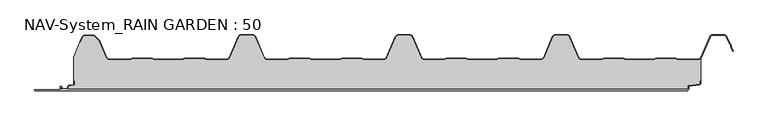
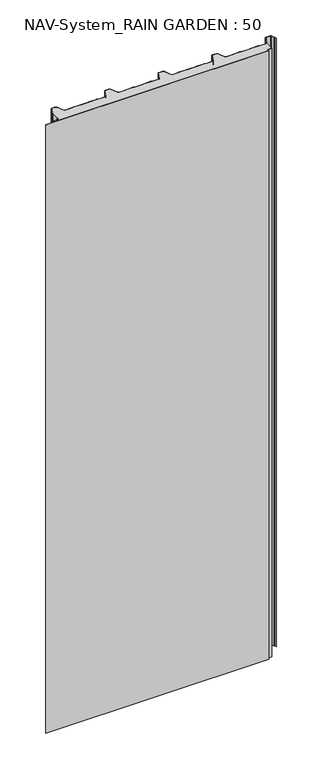
"""IFC4 building model written with IfcOpenShell, lengths in millimetres: plate geometry, NAV-System_RAIN GARDEN : 50."""

from ifc_helpers import new_model, si_unit, point, frame, frame_2d, origin, origin_with_axes, place, context, project, spatial, polyline, circle_curve, trimmed, segment, composite_curve, outline, extrude, source, transform, mapped, element, save


def nav_system_rain_garden_50_0f52b5ec(model_context):
    return source(origin(), model_context, "Body", "SweptSolid", [
        extrude(outline(composite_curve([segment(polyline([(14.6767555, 519.0), (14.6767555, 518.2), (10.3721283, 518.2), (7.8818536, 500.4911207)]), True, "CONTINUOUS"), segment(trimmed(circle_curve(frame_2d((6.3964683, 500.7)), 1.5), [point((7.8818536, 500.4911207))], [point((6.3964683, 499.2))], False, "CARTESIAN"), True, "CONTINUOUS"), segment(polyline([(6.3964683, 499.2), (1.8, 499.2), (1.8, -498.7)]), True, "CONTINUOUS"), segment(trimmed(circle_curve(frame_2d((2.3, -498.7)), 0.5), [point((1.8, -498.7))], [point((2.3, -499.2))], True, "CARTESIAN"), True, "CONTINUOUS"), segment(polyline([(2.3, -499.2), (5.3700191, -499.2)]), True, "CONTINUOUS"), segment(trimmed(circle_curve(frame_2d((5.3700191, -498.7)), 0.5), [point((5.3700191, -499.2))], [point((5.6200191, -498.2669873))], True, "CARTESIAN"), True, "CONTINUOUS"), segment(polyline([(5.6200191, -498.2669873), (2.2, -496.2924383), (2.2, -488.9841833), (7.6866602, -485.8164586), (8.898332, -477.2), (14.6767555, -477.2), (14.6767555, -478.0), (9.5937048, -478.0), (8.5128213, -485.6863953)]), True, "CONTINUOUS"), segment(trimmed(circle_curve(frame_2d((7.2254873, -485.5053666)), 1.3), [point((8.5128213, -485.6863953))], [point((7.8754873, -486.6311996))], False, "CARTESIAN"), True, "CONTINUOUS"), segment(polyline([(7.8754873, -486.6311996), (3.0, -489.4460636), (3.0, -495.8305581), (6.0200191, -497.574167)]), True, "CONTINUOUS"), segment(trimmed(circle_curve(frame_2d((5.3700191, -498.7)), 1.3), [point((6.0200191, -497.574167))], [point((5.3700191, -500.0))], False, "CARTESIAN"), True, "CONTINUOUS"), segment(polyline([(5.3700191, -500.0), (2.3, -500.0)]), True, "CONTINUOUS"), segment(trimmed(circle_curve(frame_2d((2.3, -498.7)), 1.3), [point((2.3, -500.0))], [point((1.0, -498.7))], False, "CARTESIAN"), True, "CONTINUOUS"), segment(polyline([(1.0, -498.7), (1.0, -540.0), (0.0, -540.0), (0.0, 498.7), (1.0, 498.7)]), True, "CONTINUOUS"), segment(trimmed(circle_curve(frame_2d((2.3, 498.7)), 1.3), [point((1.0, 498.7))], [point((2.3, 500.0))], False, "CARTESIAN"), True, "CONTINUOUS"), segment(polyline([(2.3, 500.0), (6.3964683, 500.0)]), True, "CONTINUOUS"), segment(trimmed(circle_curve(frame_2d((6.3964683, 500.7)), 0.7), [point((6.3964683, 500.0))], [point((7.0896481, 500.602523))], True, "CARTESIAN"), True, "CONTINUOUS"), segment(polyline([(7.0896481, 500.602523), (9.5194024, 517.8810287)]), True, "CONTINUOUS"), segment(trimmed(circle_curve(frame_2d((10.8067363, 517.7)), 1.3), [point((9.5194024, 517.8810287))], [point((10.8067363, 519.0))], False, "CARTESIAN"), True, "CONTINUOUS"), segment(polyline([(10.8067363, 519.0), (14.6767555, 519.0)]), True, "CONTINUOUS")], self_intersect=False)), frame((0.0, 0.0, 3000.0), z_axis=(0.0, 0.0, -1.0), x_axis=(0.0, 1.0, 0.0)), (0.0, 0.0, 1.0), 3000.0),
        extrude(outline(composite_curve([segment(polyline([(519.0, 50.6220493), (519.0, 14.6767555), (518.2, 14.6767555), (518.2, 10.3721283), (500.4911207, 7.8818536)]), True, "CONTINUOUS"), segment(trimmed(circle_curve(frame_2d((500.7, 6.3964683)), 1.5), [point((500.4911207, 7.8818536))], [point((499.2, 6.3964683))], True, "CARTESIAN"), True, "CONTINUOUS"), segment(polyline([(499.2, 6.3964683), (499.2, 1.8), (-498.7, 1.8)]), True, "CONTINUOUS"), segment(trimmed(circle_curve(frame_2d((-498.7, 2.3)), 0.5), [point((-498.7, 1.8))], [point((-499.2, 2.3))], False, "CARTESIAN"), True, "CONTINUOUS"), segment(polyline([(-499.2, 2.3), (-499.2, 5.3700191)]), True, "CONTINUOUS"), segment(trimmed(circle_curve(frame_2d((-498.7, 5.3700191)), 0.5), [point((-499.2, 5.3700191))], [point((-498.2669873, 5.6200191))], False, "CARTESIAN"), True, "CONTINUOUS"), segment(polyline([(-498.2669873, 5.6200191), (-496.2924383, 2.2), (-488.9841833, 2.2), (-485.8164586, 7.6866602), (-477.2, 8.898332), (-477.2, 14.6767555), (-478.0, 14.6767555), (-478.0, 53.053822), (-468.3696578, 76.593514), (-467.6292254, 76.2905951), (-464.1022482, 84.9116756)]), True, "CONTINUOUS"), segment(trimmed(circle_curve(frame_2d((-461.1405186, 83.7)), 3.2), [point((-464.1022482, 84.9116756))], [point((-461.1405186, 86.9))], False, "CARTESIAN"), True, "CONTINUOUS"), segment(polyline([(-461.1405186, 86.9), (-447.7344665, 86.9)]), True, "CONTINUOUS"), segment(trimmed(circle_curve(frame_2d((-447.7344665, 82.7)), 4.2), [point((-447.7344665, 86.9))], [point((-444.764618, 85.6698485))], False, "CARTESIAN"), True, "CONTINUOUS"), segment(polyline([(-444.764618, 85.6698485), (-438.3136397, 79.2188701)]), True, "CONTINUOUS"), segment(trimmed(circle_curve(frame_2d((-441.2834882, 76.2490217)), 4.2), [point((-438.3136397, 79.2188701))], [point((-437.4245651, 77.9069459))], False, "CARTESIAN"), True, "CONTINUOUS"), segment(polyline([(-437.4245651, 77.9069459), (-426.3392729, 52.1052295)]), True, "CONTINUOUS"), segment(trimmed(circle_curve(frame_2d((-421.9290751, 54.0)), 4.8), [point((-426.3392729, 52.1052295))], [point((-421.9290751, 49.2))], True, "CARTESIAN"), True, "CONTINUOUS"), segment(polyline([(-421.9290751, 49.2), (-389.1564631, 49.2), (-385.1925378, 50.7), (-353.6825105, 50.7), (-349.6410865, 49.2), (-305.8231298, 49.2), (-301.9276212, 50.6741102), (-270.3491772, 50.7), (-266.3077532, 49.2), (-234.4101978, 49.2)]), True, "CONTINUOUS"), segment(trimmed(circle_curve(frame_2d((-234.4101978, 54.0)), 4.8), [point((-234.4101978, 49.2))], [point((-230.0, 52.1052295))], True, "CARTESIAN"), True, "CONTINUOUS"), segment(polyline([(-230.0, 52.1052295), (-215.7994417, 85.1579242)]), True, "CONTINUOUS"), segment(trimmed(circle_curve(frame_2d((-211.9405186, 83.5)), 4.2), [point((-215.7994417, 85.1579242))], [point((-211.9405186, 87.7))], False, "CARTESIAN"), True, "CONTINUOUS"), segment(polyline([(-211.9405186, 87.7), (-193.5280451, 87.7)]), True, "CONTINUOUS"), segment(trimmed(circle_curve(frame_2d((-193.5280451, 83.5)), 4.2), [point((-193.5280451, 87.7))], [point((-189.669122, 85.1579242))], False, "CARTESIAN"), True, "CONTINUOUS"), segment(polyline([(-189.669122, 85.1579242), (-175.4685637, 52.1052295)]), True, "CONTINUOUS"), segment(trimmed(circle_curve(frame_2d((-171.0583659, 54.0)), 4.8), [point((-175.4685637, 52.1052295))], [point((-171.0583659, 49.2))], True, "CARTESIAN"), True, "CONTINUOUS"), segment(polyline([(-171.0583659, 49.2), (-139.1564631, 49.2), (-135.1925378, 50.7), (-103.6825105, 50.7), (-99.6410865, 49.2), (-55.8231298, 49.2), (-51.9276212, 50.6741102), (-20.3491772, 50.7), (-16.3077532, 49.2), (15.5898022, 49.2)]), True, "CONTINUOUS"), segment(trimmed(circle_curve(frame_2d((15.5898022, 54.0)), 4.8), [point((15.5898022, 49.2))], [point((20.0, 52.1052295))], True, "CARTESIAN"), True, "CONTINUOUS"), segment(polyline([(20.0, 52.1052295), (34.2005583, 85.1579242)]), True, "CONTINUOUS"), segment(trimmed(circle_curve(frame_2d((38.0594814, 83.5)), 4.2), [point((34.2005583, 85.1579242))], [point((38.0594814, 87.7))], False, "CARTESIAN"), True, "CONTINUOUS"), segment(polyline([(38.0594814, 87.7), (56.4719549, 87.7)]), True, "CONTINUOUS"), segment(trimmed(circle_curve(frame_2d((56.4719549, 83.5)), 4.2), [point((56.4719549, 87.7))], [point((60.330878, 85.1579242))], False, "CARTESIAN"), True, "CONTINUOUS"), segment(polyline([(60.330878, 85.1579242), (74.5314363, 52.1052295)]), True, "CONTINUOUS"), segment(trimmed(circle_curve(frame_2d((78.9416341, 54.0)), 4.8), [point((74.5314363, 52.1052295))], [point((78.9416341, 49.2))], True, "CARTESIAN"), True, "CONTINUOUS"), segment(polyline([(78.9416341, 49.2), (110.8435369, 49.2), (114.8074622, 50.7), (146.3174895, 50.7), (150.3589135, 49.2), (194.1768702, 49.2), (198.0723788, 50.6741102), (229.6508228, 50.7), (233.6922468, 49.2), (265.5898022, 49.2)]), True, "CONTINUOUS"), segment(trimmed(circle_curve(frame_2d((265.5898022, 54.0)), 4.8), [point((265.5898022, 49.2))], [point((270.0, 52.1052295))], True, "CARTESIAN"), True, "CONTINUOUS"), segment(polyline([(270.0, 52.1052295), (284.2005583, 85.1579242)]), True, "CONTINUOUS"), segment(trimmed(circle_curve(frame_2d((288.0594814, 83.5)), 4.2), [point((284.2005583, 85.1579242))], [point((288.0594814, 87.7))], False, "CARTESIAN"), True, "CONTINUOUS"), segment(polyline([(288.0594814, 87.7), (306.4719549, 87.7)]), True, "CONTINUOUS"), segment(trimmed(circle_curve(frame_2d((306.4719549, 83.5)), 4.2), [point((306.4719549, 87.7))], [point((310.330878, 85.1579242))], False, "CARTESIAN"), True, "CONTINUOUS"), segment(polyline([(310.330878, 85.1579242), (324.5314363, 52.1052295)]), True, "CONTINUOUS"), segment(trimmed(circle_curve(frame_2d((328.9416341, 54.0)), 4.8), [point((324.5314363, 52.1052295))], [point((328.9416341, 49.2))], True, "CARTESIAN"), True, "CONTINUOUS"), segment(polyline([(328.9416341, 49.2), (360.8435369, 49.2), (364.7390455, 50.6741102), (396.3174895, 50.7), (400.3589135, 49.2), (444.1768702, 49.2), (448.0723788, 50.6741102), (479.6508228, 50.7), (483.6922468, 49.2), (515.5898022, 49.2)]), True, "CONTINUOUS"), segment(trimmed(circle_curve(frame_2d((515.5898022, 54.0)), 4.8), [point((515.5898022, 49.2))], [point((519.0, 50.6220493))], True, "CARTESIAN"), True, "CONTINUOUS")], self_intersect=False)), origin_with_axes(), (0.0, 0.0, 1.0), 3000.0),
        extrude(outline(composite_curve([segment(trimmed(circle_curve(frame_2d((-461.1408608, 83.7)), 4.0), [point((-464.8430228, 85.2145945))], [point((-461.1408608, 87.7))], False, "CARTESIAN"), True, "CONTINUOUS"), segment(polyline([(-461.1408608, 87.7), (-447.7348087, 87.7)]), True, "CONTINUOUS"), segment(trimmed(circle_curve(frame_2d((-447.7348087, 82.7)), 5.0), [point((-447.7348087, 87.7))], [point((-444.1992748, 86.2355339))], False, "CARTESIAN"), True, "CONTINUOUS"), segment(polyline([(-444.1992748, 86.2355339), (-437.7482965, 79.7845556)]), True, "CONTINUOUS"), segment(trimmed(circle_curve(frame_2d((-441.2838304, 76.2490217)), 5.0), [point((-437.7482965, 79.7845556))], [point((-436.6898744, 78.2227409))], False, "CARTESIAN"), True, "CONTINUOUS"), segment(polyline([(-436.6898744, 78.2227409), (-425.6045822, 52.4210246)]), True, "CONTINUOUS"), segment(trimmed(circle_curve(frame_2d((-421.9294173, 54.0)), 4.0), [point((-425.6045822, 52.4210246))], [point((-421.9294173, 50.0))], True, "CARTESIAN"), True, "CONTINUOUS"), segment(polyline([(-421.9294173, 50.0), (-389.3031082, 50.0), (-385.3391828, 51.5), (-353.4633986, 51.5), (-349.4994732, 50.0), (-305.9697749, 50.0), (-302.0058495, 51.5), (-270.1300653, 51.5), (-266.1661399, 50.0), (-234.41054, 50.0)]), True, "CONTINUOUS"), segment(trimmed(circle_curve(frame_2d((-234.41054, 54.0)), 4.0), [point((-234.41054, 50.0))], [point((-230.7353752, 52.4210246))], True, "CARTESIAN"), True, "CONTINUOUS"), segment(polyline([(-230.7353752, 52.4210246), (-216.5348169, 85.4737193)]), True, "CONTINUOUS"), segment(trimmed(circle_curve(frame_2d((-211.9408608, 83.5)), 5.0), [point((-216.5348169, 85.4737193))], [point((-211.9408608, 88.5))], False, "CARTESIAN"), True, "CONTINUOUS"), segment(polyline([(-211.9408608, 88.5), (-193.5283873, 88.5)]), True, "CONTINUOUS"), segment(trimmed(circle_curve(frame_2d((-193.5283873, 83.5)), 5.0), [point((-193.5283873, 88.5))], [point((-188.9344313, 85.4737193))], False, "CARTESIAN"), True, "CONTINUOUS"), segment(polyline([(-188.9344313, 85.4737193), (-174.7338729, 52.4210246)]), True, "CONTINUOUS"), segment(trimmed(circle_curve(frame_2d((-171.0587081, 54.0)), 4.0), [point((-174.7338729, 52.4210246))], [point((-171.0587081, 50.0))], True, "CARTESIAN"), True, "CONTINUOUS"), segment(polyline([(-171.0587081, 50.0), (-139.3031082, 50.0), (-135.3391828, 51.5), (-103.4633986, 51.5), (-99.4994732, 50.0), (-55.9697749, 50.0), (-52.0058495, 51.5), (-20.1300653, 51.5), (-16.1661399, 50.0), (15.58946, 50.0)]), True, "CONTINUOUS"), segment(trimmed(circle_curve(frame_2d((15.58946, 54.0)), 4.0), [point((15.58946, 50.0))], [point((19.2646248, 52.4210246))], True, "CARTESIAN"), True, "CONTINUOUS"), segment(polyline([(19.2646248, 52.4210246), (33.4651831, 85.4737193)]), True, "CONTINUOUS"), segment(trimmed(circle_curve(frame_2d((38.0591392, 83.5)), 5.0), [point((33.4651831, 85.4737193))], [point((38.0591392, 88.5))], False, "CARTESIAN"), True, "CONTINUOUS"), segment(polyline([(38.0591392, 88.5), (56.4716127, 88.5)]), True, "CONTINUOUS"), segment(trimmed(circle_curve(frame_2d((56.4716127, 83.5)), 5.0), [point((56.4716127, 88.5))], [point((61.0655687, 85.4737193))], False, "CARTESIAN"), True, "CONTINUOUS"), segment(polyline([(61.0655687, 85.4737193), (75.2661271, 52.4210246)]), True, "CONTINUOUS"), segment(trimmed(circle_curve(frame_2d((78.9412919, 54.0)), 4.0), [point((75.2661271, 52.4210246))], [point((78.9412919, 50.0))], True, "CARTESIAN"), True, "CONTINUOUS"), segment(polyline([(78.9412919, 50.0), (110.6968918, 50.0), (114.6608172, 51.5), (146.5366014, 51.5), (150.5005268, 50.0), (194.0302251, 50.0), (197.9941505, 51.5), (229.8699347, 51.5), (233.8338601, 50.0), (265.58946, 50.0)]), True, "CONTINUOUS"), segment(trimmed(circle_curve(frame_2d((265.58946, 54.0)), 4.0), [point((265.58946, 50.0))], [point((269.2646248, 52.4210246))], True, "CARTESIAN"), True, "CONTINUOUS"), segment(polyline([(269.2646248, 52.4210246), (283.4651831, 85.4737193)]), True, "CONTINUOUS"), segment(trimmed(circle_curve(frame_2d((288.0591392, 83.5)), 5.0), [point((283.4651831, 85.4737193))], [point((288.0591392, 88.5))], False, "CARTESIAN"), True, "CONTINUOUS"), segment(polyline([(288.0591392, 88.5), (306.4716127, 88.5)]), True, "CONTINUOUS"), segment(trimmed(circle_curve(frame_2d((306.4716127, 83.5)), 5.0), [point((306.4716127, 88.5))], [point((311.0655687, 85.4737193))], False, "CARTESIAN"), True, "CONTINUOUS"), segment(polyline([(311.0655687, 85.4737193), (325.2661271, 52.4210246)]), True, "CONTINUOUS"), segment(trimmed(circle_curve(frame_2d((328.9412919, 54.0)), 4.0), [point((325.2661271, 52.4210246))], [point((328.9412919, 50.0))], True, "CARTESIAN"), True, "CONTINUOUS"), segment(polyline([(328.9412919, 50.0), (360.6968918, 50.0), (364.6608172, 51.5), (396.5366014, 51.5), (400.5005268, 50.0), (444.0302251, 50.0), (447.9941505, 51.5), (479.8699347, 51.5), (483.8338601, 50.0), (515.58946, 50.0)]), True, "CONTINUOUS"), segment(trimmed(circle_curve(frame_2d((515.58946, 54.0)), 4.0), [point((515.58946, 50.0))], [point((519.2646248, 52.4210246))], True, "CARTESIAN"), True, "CONTINUOUS"), segment(polyline([(519.2646248, 52.4210246), (533.4651831, 85.4737193)]), True, "CONTINUOUS"), segment(trimmed(circle_curve(frame_2d((538.0591392, 83.5)), 5.0), [point((533.4651831, 85.4737193))], [point((538.0591392, 88.5))], False, "CARTESIAN"), True, "CONTINUOUS"), segment(polyline([(538.0591392, 88.5), (556.4716127, 88.5)]), True, "CONTINUOUS"), segment(trimmed(circle_curve(frame_2d((556.4716127, 83.5)), 5.0), [point((556.4716127, 88.5))], [point((561.0655687, 85.4737193))], False, "CARTESIAN"), True, "CONTINUOUS"), segment(polyline([(561.0655687, 85.4737193), (565.9006789, 74.2196957), (567.9230626, 72.4138642), (567.8408612, 69.703799), (570.8182039, 62.7738461), (570.0831709, 62.458051), (567.0358547, 69.5508717), (567.1121268, 72.0654564), (565.2356202, 73.741031), (560.3305358, 85.1579242)]), True, "CONTINUOUS"), segment(trimmed(circle_curve(frame_2d((556.4716127, 83.5)), 4.2), [point((560.3305358, 85.1579242))], [point((556.4716127, 87.7))], True, "CARTESIAN"), True, "CONTINUOUS"), segment(polyline([(556.4716127, 87.7), (538.0591392, 87.7)]), True, "CONTINUOUS"), segment(trimmed(circle_curve(frame_2d((538.0591392, 83.5)), 4.2), [point((538.0591392, 87.7))], [point((534.2002161, 85.1579242))], True, "CARTESIAN"), True, "CONTINUOUS"), segment(polyline([(534.2002161, 85.1579242), (519.9996578, 52.1052295)]), True, "CONTINUOUS"), segment(trimmed(circle_curve(frame_2d((515.58946, 54.0)), 4.8), [point((519.9996578, 52.1052295))], [point((515.58946, 49.2))], False, "CARTESIAN"), True, "CONTINUOUS"), segment(polyline([(515.58946, 49.2), (483.6919046, 49.2), (479.6504806, 50.7), (448.0720366, 50.6741102), (444.1765279, 49.2), (400.3585713, 49.2), (396.3171473, 50.7), (364.7387033, 50.6741102), (360.8431946, 49.2), (328.9412919, 49.2)]), True, "CONTINUOUS"), segment(trimmed(circle_curve(frame_2d((328.9412919, 54.0)), 4.8), [point((328.9412919, 49.2))], [point((324.5310941, 52.1052295))], False, "CARTESIAN"), True, "CONTINUOUS"), segment(polyline([(324.5310941, 52.1052295), (310.3305358, 85.1579242)]), True, "CONTINUOUS"), segment(trimmed(circle_curve(frame_2d((306.4716127, 83.5)), 4.2), [point((310.3305358, 85.1579242))], [point((306.4716127, 87.7))], True, "CARTESIAN"), True, "CONTINUOUS"), segment(polyline([(306.4716127, 87.7), (288.0591392, 87.7)]), True, "CONTINUOUS"), segment(trimmed(circle_curve(frame_2d((288.0591392, 83.5)), 4.2), [point((288.0591392, 87.7))], [point((284.2002161, 85.1579242))], True, "CARTESIAN"), True, "CONTINUOUS"), segment(polyline([(284.2002161, 85.1579242), (269.9996578, 52.1052295)]), True, "CONTINUOUS"), segment(trimmed(circle_curve(frame_2d((265.58946, 54.0)), 4.8), [point((269.9996578, 52.1052295))], [point((265.58946, 49.2))], False, "CARTESIAN"), True, "CONTINUOUS"), segment(polyline([(265.58946, 49.2), (233.6919046, 49.2), (229.6504806, 50.7), (198.0720366, 50.6741102), (194.1765279, 49.2), (150.3585713, 49.2), (146.3171473, 50.7), (114.7387033, 50.6741102), (110.8431946, 49.2), (78.9412919, 49.2)]), True, "CONTINUOUS"), segment(trimmed(circle_curve(frame_2d((78.9412919, 54.0)), 4.8), [point((78.9412919, 49.2))], [point((74.5310941, 52.1052295))], False, "CARTESIAN"), True, "CONTINUOUS"), segment(polyline([(74.5310941, 52.1052295), (60.3305358, 85.1579242)]), True, "CONTINUOUS"), segment(trimmed(circle_curve(frame_2d((56.4716127, 83.5)), 4.2), [point((60.3305358, 85.1579242))], [point((56.4716127, 87.7))], True, "CARTESIAN"), True, "CONTINUOUS"), segment(polyline([(56.4716127, 87.7), (38.0591392, 87.7)]), True, "CONTINUOUS"), segment(trimmed(circle_curve(frame_2d((38.0591392, 83.5)), 4.2), [point((38.0591392, 87.7))], [point((34.2002161, 85.1579242))], True, "CARTESIAN"), True, "CONTINUOUS"), segment(polyline([(34.2002161, 85.1579242), (19.9996578, 52.1052295)]), True, "CONTINUOUS"), segment(trimmed(circle_curve(frame_2d((15.58946, 54.0)), 4.8), [point((19.9996578, 52.1052295))], [point((15.58946, 49.2))], False, "CARTESIAN"), True, "CONTINUOUS"), segment(polyline([(15.58946, 49.2), (-16.3080954, 49.2), (-20.3495194, 50.7), (-51.9279634, 50.6741102), (-55.8234721, 49.2), (-99.6414287, 49.2), (-103.6828527, 50.7), (-135.2612967, 50.6741102), (-139.1568054, 49.2), (-171.0587081, 49.2)]), True, "CONTINUOUS"), segment(trimmed(circle_curve(frame_2d((-171.0587081, 54.0)), 4.8), [point((-171.0587081, 49.2))], [point((-175.4689059, 52.1052295))], False, "CARTESIAN"), True, "CONTINUOUS"), segment(polyline([(-175.4689059, 52.1052295), (-189.6694642, 85.1579242)]), True, "CONTINUOUS"), segment(trimmed(circle_curve(frame_2d((-193.5283873, 83.5)), 4.2), [point((-189.6694642, 85.1579242))], [point((-193.5283873, 87.7))], True, "CARTESIAN"), True, "CONTINUOUS"), segment(polyline([(-193.5283873, 87.7), (-211.9408608, 87.7)]), True, "CONTINUOUS"), segment(trimmed(circle_curve(frame_2d((-211.9408608, 83.5)), 4.2), [point((-211.9408608, 87.7))], [point((-215.7997839, 85.1579242))], True, "CARTESIAN"), True, "CONTINUOUS"), segment(polyline([(-215.7997839, 85.1579242), (-230.0003422, 52.1052295)]), True, "CONTINUOUS"), segment(trimmed(circle_curve(frame_2d((-234.41054, 54.0)), 4.8), [point((-230.0003422, 52.1052295))], [point((-234.41054, 49.2))], False, "CARTESIAN"), True, "CONTINUOUS"), segment(polyline([(-234.41054, 49.2), (-266.3080954, 49.2), (-270.3495194, 50.7), (-301.9279634, 50.6741102), (-305.8234721, 49.2), (-349.6414287, 49.2), (-353.6828527, 50.7), (-385.19288, 50.7), (-389.1568054, 49.2), (-421.9294173, 49.2)]), True, "CONTINUOUS"), segment(trimmed(circle_curve(frame_2d((-421.9294173, 54.0)), 4.8), [point((-421.9294173, 49.2))], [point((-426.3396151, 52.1052295))], False, "CARTESIAN"), True, "CONTINUOUS"), segment(polyline([(-426.3396151, 52.1052295), (-437.4249073, 77.9069459)]), True, "CONTINUOUS"), segment(trimmed(circle_curve(frame_2d((-441.2838304, 76.2490217)), 4.2), [point((-437.4249073, 77.9069459))], [point((-438.3139819, 79.2188701))], True, "CARTESIAN"), True, "CONTINUOUS"), segment(polyline([(-438.3139819, 79.2188701), (-444.7649603, 85.6698485)]), True, "CONTINUOUS"), segment(trimmed(circle_curve(frame_2d((-447.7348087, 82.7)), 4.2), [point((-444.7649603, 85.6698485))], [point((-447.7348087, 86.9))], True, "CARTESIAN"), True, "CONTINUOUS"), segment(polyline([(-447.7348087, 86.9), (-461.1408608, 86.9)]), True, "CONTINUOUS"), segment(trimmed(circle_curve(frame_2d((-461.1408608, 83.7)), 3.2), [point((-461.1408608, 86.9))], [point((-464.1025904, 84.9116756))], True, "CARTESIAN"), True, "CONTINUOUS"), segment(polyline([(-464.1025904, 84.9116756), (-467.6295676, 76.2905951), (-468.37, 76.593514), (-464.8430228, 85.2145945)]), True, "CONTINUOUS")], self_intersect=False)), origin_with_axes(), (0.0, 0.0, 1.0), 3000.0),
    ])


if __name__ == "__main__":
    model = new_model("IFC4")
    model_context = context("Model", 3, world=origin())
    ifc_project = project(units=[si_unit("LENGTHUNIT", "METRE", prefix="MILLI")], contexts=[model_context])
    site = spatial("IfcSite", under=ifc_project)
    building = spatial("IfcBuilding", under=site)
    placement = place(None, origin())
    nav_system_rain_garden_50_shape = nav_system_rain_garden_50_0f52b5ec(model_context)
    element("IfcPlate", 1, ObjectType="NAV-System_RAIN GARDEN : 50", at=placement, inside=building, context=model_context, shape_type="MappedRepresentation", body=[
        mapped(nav_system_rain_garden_50_shape, transform((0.0, 0.0, 0.0), x_axis=(1.0, 0.0, 0.0), y_axis=(0.0, 1.0, 0.0), z_axis=(0.0, 0.0, 1.0))),
    ])
    save(model, "model.ifc")
